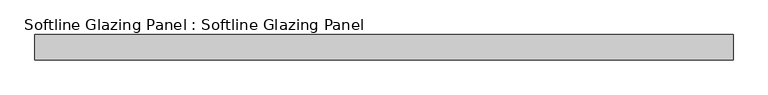
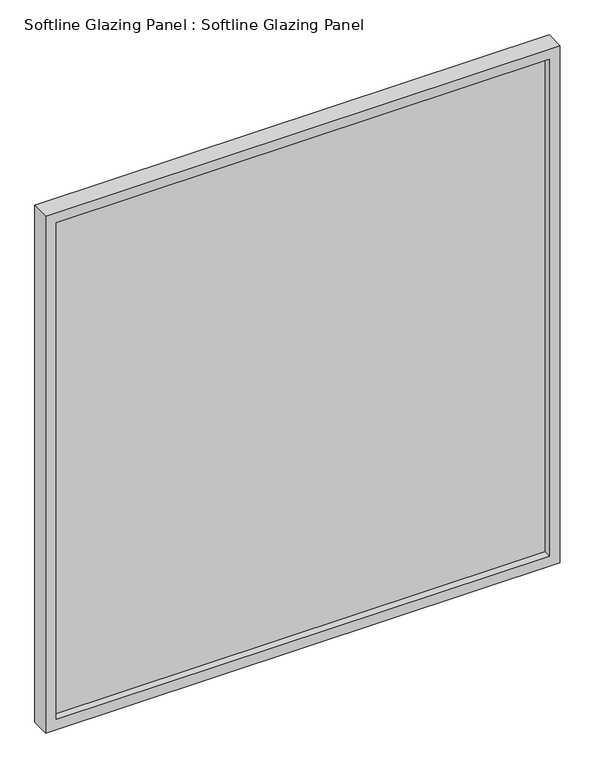
"""IFC4 building model written with IfcOpenShell, lengths in millimetres: plate geometry, Softline Glazing Panel : Softline Glazing Panel."""

import ifcopenshell
import ifcopenshell.guid

model = None  # the IFC model being written
_history = None  # IfcOwnerHistory: only IFC2X3 demands one
_inside = {}  # id of a spatial element -> (the spatial element, [elements in it])
_under = {}  # id of a project, library or spatial element -> (it, [spatial elements below it])
_declared = {}  # id of a project -> (the project, [libraries it declares])
_typed = {}  # id of a type object -> (the type object, [elements of that type])
_made_of = {}  # id of a material, layer set ... -> (it, [elements and type objects made of it])


def new_model(schema):
    """Start an empty IFC model of exactly this schema.

    Asked for "IFC4X3", IfcOpenShell would pick the latest addendum, in which some entities
    have other attributes; the version numbers below select the first issue.
    IFC2X3 requires an IfcOwnerHistory on every rooted entity: one is made here for all.
    """
    global model, _history
    if schema == "IFC4X3":
        model = ifcopenshell.file(schema_version=(4, 3, 0, 0))
    else:
        model = ifcopenshell.file(schema=schema)
    _inside.clear()
    _under.clear()
    _declared.clear()
    _typed.clear()
    _made_of.clear()
    _history = None
    if model.schema == "IFC2X3":
        org = make("IfcOrganization", Name="unknown")
        user = make(
            "IfcPersonAndOrganization",
            ThePerson=make("IfcPerson", FamilyName="unknown"),
            TheOrganization=org,
        )
        app = make(
            "IfcApplication",
            ApplicationDeveloper=org,
            Version="unknown",
            ApplicationFullName="unknown",
            ApplicationIdentifier="unknown",
        )
        _history = make(
            "IfcOwnerHistory",
            OwningUser=user,
            OwningApplication=app,
            ChangeAction="ADDED",
            CreationDate=0,
        )
    return model


def make(cls, **values):
    """One entity of the class cls with the attributes given. An attribute that is None is left unset."""
    return model.create_entity(
        cls, **{name: value for name, value in values.items() if value is not None}
    )


def rooted(cls, **values):
    """An entity with a GlobalId (a new one), such as an element, a storey or a relation."""
    return make(cls, GlobalId=ifcopenshell.guid.new(), OwnerHistory=_history, **values)


def si_unit(unit_type, name, prefix=None):
    """IfcSIUnit, for example si_unit("LENGTHUNIT", "METRE", prefix="MILLI")."""
    return make("IfcSIUnit", UnitType=unit_type, Prefix=prefix, Name=name)


def assignment(units):
    """IfcUnitAssignment: the units of a project."""
    return None if units is None else make("IfcUnitAssignment", Units=units)


def point(xyz):
    """IfcCartesianPoint."""
    return None if xyz is None else make("IfcCartesianPoint", Coordinates=xyz)


def direction(xyz):
    """IfcDirection."""
    return None if xyz is None else make("IfcDirection", DirectionRatios=xyz)


def frame(location, z_axis=None, x_axis=None):
    """IfcAxis2Placement3D, a coordinate frame: its origin and axes. An axis left out is left unset."""
    return make(
        "IfcAxis2Placement3D",
        Location=point(location),
        Axis=direction(z_axis),
        RefDirection=direction(x_axis),
    )


def origin():
    """The frame at (0, 0, 0) with its axes left unset."""
    return frame((0.0, 0.0, 0.0))


def place(relative_to, where):
    """IfcLocalPlacement: puts the frame where relative to a parent placement (None: the world)."""
    return make(
        "IfcLocalPlacement", PlacementRelTo=relative_to, RelativePlacement=where
    )


def context(
    kind, dimensions, precision=None, world=None, true_north=None, identifier=None
):
    """IfcGeometricRepresentationContext, for example the 3D "Model" context."""
    return make(
        "IfcGeometricRepresentationContext",
        ContextIdentifier=identifier,
        ContextType=kind,
        CoordinateSpaceDimension=dimensions,
        Precision=precision,
        WorldCoordinateSystem=world,
        TrueNorth=true_north,
    )


def project(units=None, contexts=None):
    """IfcProject with its units and contexts."""
    return rooted(
        "IfcProject",
        Name="project",
        RepresentationContexts=contexts,
        UnitsInContext=assignment(units),
    )


def spatial(cls, under=None, at=None, **own):
    """A site, building, storey or space (cls), placed at a placement, below another one or the project."""
    s = rooted(cls, ObjectPlacement=at, **own)
    if under is not None:
        _under.setdefault(under.id(), (under, []))[1].append(s)
    return s


def polyline(points):
    """IfcPolyline through the points."""
    return make("IfcPolyline", Points=[point(p) for p in points])


def outline(outer, holes=None, kind="AREA"):
    """IfcArbitraryClosedProfileDef: a profile drawn as a closed curve; with holes, ...WithVoids."""
    if holes is None:
        return make("IfcArbitraryClosedProfileDef", ProfileType=kind, OuterCurve=outer)
    return make(
        "IfcArbitraryProfileDefWithVoids",
        ProfileType=kind,
        OuterCurve=outer,
        InnerCurves=holes,
    )


def extrude(swept, where, along, depth):
    """IfcExtrudedAreaSolid: the profile swept, set in the frame where, extruded along a direction by depth."""
    return make(
        "IfcExtrudedAreaSolid",
        SweptArea=swept,
        Position=where,
        ExtrudedDirection=direction(along),
        Depth=depth,
    )


def faces_of(points, faces, orient=None, outer=None):
    """IfcFace entities. A face is a list of loops; a loop is a list of indices into points, from 0.

    orient and outer hold one flag for each loop. By default every Orientation is true, the
    first loop of a face is its IfcFaceOuterBound and the others are IfcFaceBound.
    """
    made = []
    for i, loops in enumerate(faces):
        bounds = []
        for j, loop in enumerate(loops):
            is_outer = j == 0 if outer is None else outer[i][j]
            bounds.append(
                make(
                    "IfcFaceOuterBound" if is_outer else "IfcFaceBound",
                    Bound=make("IfcPolyLoop", Polygon=[points[k] for k in loop]),
                    Orientation=True if orient is None else orient[i][j],
                )
            )
        made.append(make("IfcFace", Bounds=bounds))
    return made


def faceted_brep(points, faces, orient=None, outer=None, voids=None):
    """IfcFacetedBrep: a solid bounded by flat faces; with voids (closed shells), ...WithVoids."""
    shared = [point(p) for p in points]
    hull = make("IfcClosedShell", CfsFaces=faces_of(shared, faces, orient, outer))
    if voids is None:
        return make("IfcFacetedBrep", Outer=hull)
    return make(
        "IfcFacetedBrepWithVoids",
        Outer=hull,
        Voids=[
            make(cls, CfsFaces=faces_of(shared, fs, o, b)) for cls, fs, o, b in voids
        ],
    )


def shape(context_of_items, identifier, shape_type, items):
    """IfcShapeRepresentation: the items that make up one representation, for example the "Body"."""
    return make(
        "IfcShapeRepresentation",
        ContextOfItems=context_of_items,
        RepresentationIdentifier=identifier,
        RepresentationType=shape_type,
        Items=items,
    )


def source(mapping_origin, context_of_items, identifier, shape_type, items):
    """IfcRepresentationMap: a shape defined once, which mapped items show again and again."""
    return make(
        "IfcRepresentationMap",
        MappingOrigin=mapping_origin,
        MappedRepresentation=shape(context_of_items, identifier, shape_type, items),
    )


def transform(
    local_origin,
    x_axis=None,
    y_axis=None,
    z_axis=None,
    scale=None,
    scale2=None,
    scale3=None,
    uniform=True,
):
    """IfcCartesianTransformationOperator3D, or its non-uniform kind. x_axis, y_axis, z_axis: its Axis1, 2, 3."""
    if uniform:
        return make(
            "IfcCartesianTransformationOperator3D",
            Axis1=direction(x_axis),
            Axis2=direction(y_axis),
            LocalOrigin=point(local_origin),
            Scale=scale,
            Axis3=direction(z_axis),
        )
    return make(
        "IfcCartesianTransformationOperator3DnonUniform",
        Axis1=direction(x_axis),
        Axis2=direction(y_axis),
        LocalOrigin=point(local_origin),
        Scale=scale,
        Axis3=direction(z_axis),
        Scale2=scale2,
        Scale3=scale3,
    )


def mapped(mapping_source, mapping_target):
    """IfcMappedItem: shows the shape of a source again, moved by a transform."""
    return make(
        "IfcMappedItem", MappingSource=mapping_source, MappingTarget=mapping_target
    )


def made_of(thing, what):
    """Note that an element or type object is made of a material, layer set ...; save() writes the relation."""
    if what is not None:
        _made_of.setdefault(what.id(), (what, []))[1].append(thing)
    return thing


def element(
    cls,
    number,
    at=None,
    inside=None,
    cuts=None,
    type_object=None,
    material=None,
    context=None,
    identifier="Body",
    shape_type=None,
    held_by="IfcProductDefinitionShape",
    body=None,
    shapes=None,
    **own,
):
    """One element of the class cls, such as IfcWall. Its Tag is "e" and its number.

    at: its placement. inside: the storey or other place that contains it. cuts: it is an
    opening in that element (IfcRelVoidsElement). A single representation is given by context,
    identifier, shape_type and body (its items); several are given by shapes. held_by: the class
    of the entity that holds the representations. save() writes the other relations.
    """
    e = rooted(cls, Tag="e%d" % number, ObjectPlacement=at, **own)
    if body is not None:
        shapes = [shape(context, identifier, shape_type, body)]
    if shapes is not None:
        e.Representation = make(held_by, Representations=shapes)
    if inside is not None:
        _inside.setdefault(inside.id(), (inside, []))[1].append(e)
    if cuts is not None:
        rooted(
            "IfcRelVoidsElement", RelatingBuildingElement=cuts, RelatedOpeningElement=e
        )
    if type_object is not None:
        _typed.setdefault(type_object.id(), (type_object, []))[1].append(e)
    return made_of(e, material)


def aggregate(whole, parts):
    """IfcRelAggregates: a whole, such as a stair, and the parts it consists of."""
    return rooted("IfcRelAggregates", RelatingObject=whole, RelatedObjects=parts)


def save(model, path):
    """Write the relations noted so far, then the file.

    IfcRelAggregates (storeys below a building ...), IfcRelContainedInSpatialStructure (elements
    in a storey), IfcRelDefinesByType, IfcRelAssociatesMaterial and IfcRelDeclares: one each for
    every whole, place, type object, material and project.
    """
    for whole, parts in _under.values():
        aggregate(whole, parts)
    for where, things in _inside.values():
        rooted(
            "IfcRelContainedInSpatialStructure",
            RelatedElements=things,
            RelatingStructure=where,
        )
    for kind, things in _typed.values():
        rooted("IfcRelDefinesByType", RelatedObjects=things, RelatingType=kind)
    for what, things in _made_of.values():
        rooted("IfcRelAssociatesMaterial", RelatedObjects=things, RelatingMaterial=what)
    for by, libraries in _declared.values():
        rooted("IfcRelDeclares", RelatingContext=by, RelatedDefinitions=libraries)
    model.write(path)


def softline_glazing_panel_softline_glazing_panel_d8518083(model_context):
    return source(origin(), model_context, "Body", "SolidModel", [
        extrude(outline(polyline([(607.0, 4.0), (607.0, -4.0), (-607.0, -4.0), (-607.0, 4.0), (607.0, 4.0)])), frame((0.0, 0.0, 16.0), z_axis=(0.0, 0.0, 1.0), x_axis=(1.0, 0.0, 0.0)), (0.0, 0.0, 1.0), 1291.0),
        faceted_brep([(597.0, 4.0, 26.0), (597.0, 22.5, 26.0), (-597.0, 22.5, 26.0), (-597.0, 4.0, 26.0), (607.0, -4.0, 16.0), (607.0, 4.0, 16.0), (-607.0, 4.0, 16.0), (-607.0, -4.0, 16.0), (597.0, -22.5, 26.0), (597.0, -4.0, 26.0), (-597.0, -4.0, 26.0), (-597.0, -22.5, 26.0), (623.0, 22.5, 0.0), (623.0, -22.5, 0.0), (-623.0, -22.5, 0.0), (-623.0, 22.5, 0.0), (-597.0, 22.5, 1297.0), (-597.0, 4.0, 1297.0), (-607.0, 4.0, 1307.0), (-607.0, -4.0, 1307.0), (-597.0, -4.0, 1297.0), (-597.0, -22.5, 1297.0), (-623.0, -22.5, 1323.0), (-623.0, 22.5, 1323.0), (597.0, 22.5, 1297.0), (597.0, 4.0, 1297.0), (607.0, 4.0, 1307.0), (607.0, -4.0, 1307.0), (597.0, -4.0, 1297.0), (597.0, -22.5, 1297.0), (623.0, -22.5, 1323.0), (623.0, 22.5, 1323.0)], [[[0, 1, 2, 3]], [[4, 5, 6, 7]], [[8, 9, 10, 11]], [[12, 13, 14, 15]], [[3, 2, 16, 17]], [[7, 6, 18, 19]], [[11, 10, 20, 21]], [[15, 14, 22, 23]], [[17, 16, 24, 25]], [[19, 18, 26, 27]], [[21, 20, 28, 29]], [[23, 22, 30, 31]], [[15, 23, 31, 12], [1, 24, 16, 2]], [[25, 24, 1, 0]], [[5, 26, 18, 6], [3, 17, 25, 0]], [[27, 26, 5, 4]], [[7, 19, 27, 4], [9, 28, 20, 10]], [[29, 28, 9, 8]], [[13, 30, 22, 14], [11, 21, 29, 8]], [[31, 30, 13, 12]]]),
    ])


if __name__ == "__main__":
    model = new_model("IFC4")
    model_context = context("Model", 3, world=origin())
    ifc_project = project(units=[si_unit("LENGTHUNIT", "METRE", prefix="MILLI")], contexts=[model_context])
    site = spatial("IfcSite", under=ifc_project)
    building = spatial("IfcBuilding", under=site)
    placement = place(None, origin())
    softline_glazing_panel_softline_glazing_panel_shape = softline_glazing_panel_softline_glazing_panel_d8518083(model_context)
    element("IfcPlate", 1, ObjectType="Softline Glazing Panel : Softline Glazing Panel", at=placement, inside=building, context=model_context, shape_type="MappedRepresentation", body=[
        mapped(softline_glazing_panel_softline_glazing_panel_shape, transform((0.0, 0.0, 0.0), x_axis=(1.0, 0.0, 0.0), y_axis=(0.0, 1.0, 0.0), z_axis=(0.0, 0.0, 1.0))),
    ])
    save(model, "model.ifc")
